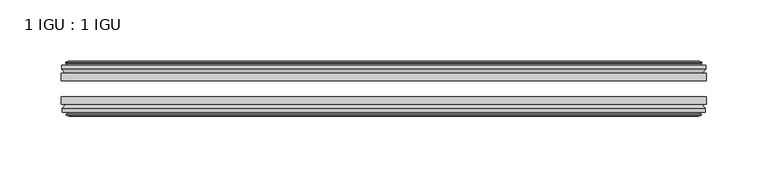
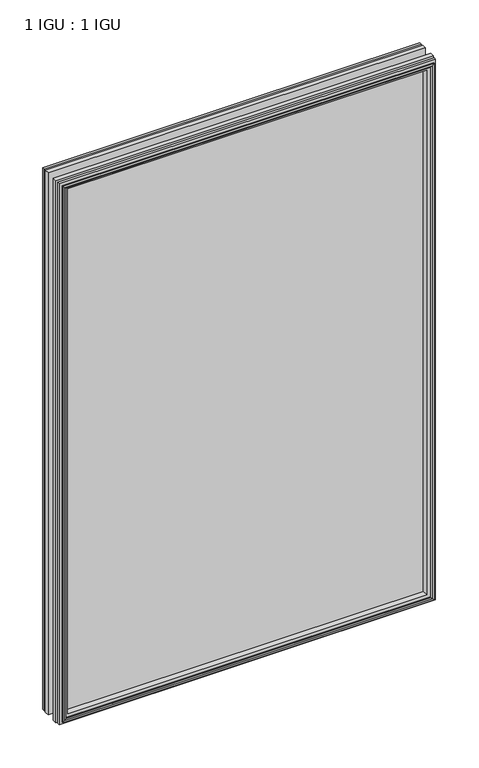
"""IFC4 building model written with IfcOpenShell, lengths in millimetres: plate geometry, 1 IGU : 1 IGU."""

import ifcopenshell
import ifcopenshell.guid

model = None  # the IFC model being written
_history = None  # IfcOwnerHistory: only IFC2X3 demands one
_inside = {}  # id of a spatial element -> (the spatial element, [elements in it])
_under = {}  # id of a project, library or spatial element -> (it, [spatial elements below it])
_declared = {}  # id of a project -> (the project, [libraries it declares])
_typed = {}  # id of a type object -> (the type object, [elements of that type])
_made_of = {}  # id of a material, layer set ... -> (it, [elements and type objects made of it])


def new_model(schema):
    """Start an empty IFC model of exactly this schema.

    Asked for "IFC4X3", IfcOpenShell would pick the latest addendum, in which some entities
    have other attributes; the version numbers below select the first issue.
    IFC2X3 requires an IfcOwnerHistory on every rooted entity: one is made here for all.
    """
    global model, _history
    if schema == "IFC4X3":
        model = ifcopenshell.file(schema_version=(4, 3, 0, 0))
    else:
        model = ifcopenshell.file(schema=schema)
    _inside.clear()
    _under.clear()
    _declared.clear()
    _typed.clear()
    _made_of.clear()
    _history = None
    if model.schema == "IFC2X3":
        org = make("IfcOrganization", Name="unknown")
        user = make(
            "IfcPersonAndOrganization",
            ThePerson=make("IfcPerson", FamilyName="unknown"),
            TheOrganization=org,
        )
        app = make(
            "IfcApplication",
            ApplicationDeveloper=org,
            Version="unknown",
            ApplicationFullName="unknown",
            ApplicationIdentifier="unknown",
        )
        _history = make(
            "IfcOwnerHistory",
            OwningUser=user,
            OwningApplication=app,
            ChangeAction="ADDED",
            CreationDate=0,
        )
    return model


def make(cls, **values):
    """One entity of the class cls with the attributes given. An attribute that is None is left unset."""
    return model.create_entity(
        cls, **{name: value for name, value in values.items() if value is not None}
    )


def rooted(cls, **values):
    """An entity with a GlobalId (a new one), such as an element, a storey or a relation."""
    return make(cls, GlobalId=ifcopenshell.guid.new(), OwnerHistory=_history, **values)


def si_unit(unit_type, name, prefix=None):
    """IfcSIUnit, for example si_unit("LENGTHUNIT", "METRE", prefix="MILLI")."""
    return make("IfcSIUnit", UnitType=unit_type, Prefix=prefix, Name=name)


def assignment(units):
    """IfcUnitAssignment: the units of a project."""
    return None if units is None else make("IfcUnitAssignment", Units=units)


def point(xyz):
    """IfcCartesianPoint."""
    return None if xyz is None else make("IfcCartesianPoint", Coordinates=xyz)


def direction(xyz):
    """IfcDirection."""
    return None if xyz is None else make("IfcDirection", DirectionRatios=xyz)


def frame(location, z_axis=None, x_axis=None):
    """IfcAxis2Placement3D, a coordinate frame: its origin and axes. An axis left out is left unset."""
    return make(
        "IfcAxis2Placement3D",
        Location=point(location),
        Axis=direction(z_axis),
        RefDirection=direction(x_axis),
    )


def origin():
    """The frame at (0, 0, 0) with its axes left unset."""
    return frame((0.0, 0.0, 0.0))


def place(relative_to, where):
    """IfcLocalPlacement: puts the frame where relative to a parent placement (None: the world)."""
    return make(
        "IfcLocalPlacement", PlacementRelTo=relative_to, RelativePlacement=where
    )


def context(
    kind, dimensions, precision=None, world=None, true_north=None, identifier=None
):
    """IfcGeometricRepresentationContext, for example the 3D "Model" context."""
    return make(
        "IfcGeometricRepresentationContext",
        ContextIdentifier=identifier,
        ContextType=kind,
        CoordinateSpaceDimension=dimensions,
        Precision=precision,
        WorldCoordinateSystem=world,
        TrueNorth=true_north,
    )


def project(units=None, contexts=None):
    """IfcProject with its units and contexts."""
    return rooted(
        "IfcProject",
        Name="project",
        RepresentationContexts=contexts,
        UnitsInContext=assignment(units),
    )


def spatial(cls, under=None, at=None, **own):
    """A site, building, storey or space (cls), placed at a placement, below another one or the project."""
    s = rooted(cls, ObjectPlacement=at, **own)
    if under is not None:
        _under.setdefault(under.id(), (under, []))[1].append(s)
    return s


def polyline(points):
    """IfcPolyline through the points."""
    return make("IfcPolyline", Points=[point(p) for p in points])


def outline(outer, holes=None, kind="AREA"):
    """IfcArbitraryClosedProfileDef: a profile drawn as a closed curve; with holes, ...WithVoids."""
    if holes is None:
        return make("IfcArbitraryClosedProfileDef", ProfileType=kind, OuterCurve=outer)
    return make(
        "IfcArbitraryProfileDefWithVoids",
        ProfileType=kind,
        OuterCurve=outer,
        InnerCurves=holes,
    )


def extrude(swept, where, along, depth):
    """IfcExtrudedAreaSolid: the profile swept, set in the frame where, extruded along a direction by depth."""
    return make(
        "IfcExtrudedAreaSolid",
        SweptArea=swept,
        Position=where,
        ExtrudedDirection=direction(along),
        Depth=depth,
    )


def faces_of(points, faces, orient=None, outer=None):
    """IfcFace entities. A face is a list of loops; a loop is a list of indices into points, from 0.

    orient and outer hold one flag for each loop. By default every Orientation is true, the
    first loop of a face is its IfcFaceOuterBound and the others are IfcFaceBound.
    """
    made = []
    for i, loops in enumerate(faces):
        bounds = []
        for j, loop in enumerate(loops):
            is_outer = j == 0 if outer is None else outer[i][j]
            bounds.append(
                make(
                    "IfcFaceOuterBound" if is_outer else "IfcFaceBound",
                    Bound=make("IfcPolyLoop", Polygon=[points[k] for k in loop]),
                    Orientation=True if orient is None else orient[i][j],
                )
            )
        made.append(make("IfcFace", Bounds=bounds))
    return made


def faceted_brep(points, faces, orient=None, outer=None, voids=None):
    """IfcFacetedBrep: a solid bounded by flat faces; with voids (closed shells), ...WithVoids."""
    shared = [point(p) for p in points]
    hull = make("IfcClosedShell", CfsFaces=faces_of(shared, faces, orient, outer))
    if voids is None:
        return make("IfcFacetedBrep", Outer=hull)
    return make(
        "IfcFacetedBrepWithVoids",
        Outer=hull,
        Voids=[
            make(cls, CfsFaces=faces_of(shared, fs, o, b)) for cls, fs, o, b in voids
        ],
    )


def shape(context_of_items, identifier, shape_type, items):
    """IfcShapeRepresentation: the items that make up one representation, for example the "Body"."""
    return make(
        "IfcShapeRepresentation",
        ContextOfItems=context_of_items,
        RepresentationIdentifier=identifier,
        RepresentationType=shape_type,
        Items=items,
    )


def source(mapping_origin, context_of_items, identifier, shape_type, items):
    """IfcRepresentationMap: a shape defined once, which mapped items show again and again."""
    return make(
        "IfcRepresentationMap",
        MappingOrigin=mapping_origin,
        MappedRepresentation=shape(context_of_items, identifier, shape_type, items),
    )


def transform(
    local_origin,
    x_axis=None,
    y_axis=None,
    z_axis=None,
    scale=None,
    scale2=None,
    scale3=None,
    uniform=True,
):
    """IfcCartesianTransformationOperator3D, or its non-uniform kind. x_axis, y_axis, z_axis: its Axis1, 2, 3."""
    if uniform:
        return make(
            "IfcCartesianTransformationOperator3D",
            Axis1=direction(x_axis),
            Axis2=direction(y_axis),
            LocalOrigin=point(local_origin),
            Scale=scale,
            Axis3=direction(z_axis),
        )
    return make(
        "IfcCartesianTransformationOperator3DnonUniform",
        Axis1=direction(x_axis),
        Axis2=direction(y_axis),
        LocalOrigin=point(local_origin),
        Scale=scale,
        Axis3=direction(z_axis),
        Scale2=scale2,
        Scale3=scale3,
    )


def mapped(mapping_source, mapping_target):
    """IfcMappedItem: shows the shape of a source again, moved by a transform."""
    return make(
        "IfcMappedItem", MappingSource=mapping_source, MappingTarget=mapping_target
    )


def made_of(thing, what):
    """Note that an element or type object is made of a material, layer set ...; save() writes the relation."""
    if what is not None:
        _made_of.setdefault(what.id(), (what, []))[1].append(thing)
    return thing


def element(
    cls,
    number,
    at=None,
    inside=None,
    cuts=None,
    type_object=None,
    material=None,
    context=None,
    identifier="Body",
    shape_type=None,
    held_by="IfcProductDefinitionShape",
    body=None,
    shapes=None,
    **own,
):
    """One element of the class cls, such as IfcWall. Its Tag is "e" and its number.

    at: its placement. inside: the storey or other place that contains it. cuts: it is an
    opening in that element (IfcRelVoidsElement). A single representation is given by context,
    identifier, shape_type and body (its items); several are given by shapes. held_by: the class
    of the entity that holds the representations. save() writes the other relations.
    """
    e = rooted(cls, Tag="e%d" % number, ObjectPlacement=at, **own)
    if body is not None:
        shapes = [shape(context, identifier, shape_type, body)]
    if shapes is not None:
        e.Representation = make(held_by, Representations=shapes)
    if inside is not None:
        _inside.setdefault(inside.id(), (inside, []))[1].append(e)
    if cuts is not None:
        rooted(
            "IfcRelVoidsElement", RelatingBuildingElement=cuts, RelatedOpeningElement=e
        )
    if type_object is not None:
        _typed.setdefault(type_object.id(), (type_object, []))[1].append(e)
    return made_of(e, material)


def aggregate(whole, parts):
    """IfcRelAggregates: a whole, such as a stair, and the parts it consists of."""
    return rooted("IfcRelAggregates", RelatingObject=whole, RelatedObjects=parts)


def save(model, path):
    """Write the relations noted so far, then the file.

    IfcRelAggregates (storeys below a building ...), IfcRelContainedInSpatialStructure (elements
    in a storey), IfcRelDefinesByType, IfcRelAssociatesMaterial and IfcRelDeclares: one each for
    every whole, place, type object, material and project.
    """
    for whole, parts in _under.values():
        aggregate(whole, parts)
    for where, things in _inside.values():
        rooted(
            "IfcRelContainedInSpatialStructure",
            RelatedElements=things,
            RelatingStructure=where,
        )
    for kind, things in _typed.values():
        rooted("IfcRelDefinesByType", RelatedObjects=things, RelatingType=kind)
    for what, things in _made_of.values():
        rooted("IfcRelAssociatesMaterial", RelatedObjects=things, RelatingMaterial=what)
    for by, libraries in _declared.values():
        rooted("IfcRelDeclares", RelatingContext=by, RelatedDefinitions=libraries)
    model.write(path)


def plate_1_igu_1_igu_78de0a60(model_context):
    return source(origin(), model_context, "Body", "SolidModel", [
        extrude(outline(polyline([(263.525, -19.5460937), (263.525, -25.8960938), (-263.525, -25.8960938), (-263.525, -19.5460937), (263.525, -19.5460937)])), frame((0.0, 0.0, -12.7), z_axis=(0.0, 0.0, 1.0), x_axis=(1.0, 0.0, 0.0)), (0.0, 0.0, 1.0), 800.1),
        extrude(outline(polyline([(-263.525, -44.9460938), (-263.525, -38.9186737), (263.525, -38.9186737), (263.525, -44.9460938), (-263.525, -44.9460938)])), frame((0.0, 0.0, -12.7), z_axis=(0.0, 0.0, 1.0), x_axis=(1.0, 0.0, 0.0)), (0.0, 0.0, 1.0), 800.1),
        faceted_brep([(-257.937, -53.6762907, 781.812), (-258.318, -51.2960937, 782.193), (-258.318, -51.2960937, -7.493), (-257.937, -53.6762907, -7.112), (-259.3525291, -53.2163575, 783.2275291), (-259.3525291, -53.2163575, -8.5275291), (-259.3525291, -54.0175717, 783.2275291), (-259.3525291, -54.0175717, -8.5275291), (-257.175, -54.7250937, 781.05), (-257.175, -54.7250937, -6.35), (-254.9974709, -54.0175717, 778.8724709), (-254.9974709, -54.0175717, -4.1724709), (-254.9974709, -53.2163575, 778.8724709), (-254.9974709, -53.2163575, -4.1724709), (-256.413, -53.6762907, 780.288), (-256.413, -53.6762907, -5.588), (-256.032, -51.2960937, 779.907), (-256.032, -51.2960937, -5.207), (-249.1072819, -44.9460937, 772.9822819), (-250.825, -51.2960937, 774.7), (-250.825, -51.2960937, 0.0), (-249.1072819, -44.9460937, 1.7177181), (-262.763, -48.3496937, 786.638), (-259.9286578, -44.9460937, 783.8036578), (-259.9286578, -44.9460937, -9.1036578), (-262.763, -48.3496937, -11.938), (-262.763, -51.2960937, 786.638), (-262.763, -51.2960937, -11.938), (258.318, -51.2960938, -7.493), (257.937, -53.6762907, -7.112), (259.3525291, -53.2163575, -8.5275291), (259.3525291, -54.0175717, -8.5275291), (257.175, -54.7250937, -6.35), (254.9974709, -54.0175717, -4.1724709), (254.9974709, -53.2163575, -4.1724709), (256.413, -53.6762907, -5.588), (256.032, -51.2960937, -5.207), (250.825, -51.2960937, 0.0), (249.1072819, -44.9460937, 1.7177181), (259.9286578, -44.9460937, -9.1036578), (262.763, -48.3496937, -11.938), (262.763, -51.2960938, -11.938), (258.318, -51.2960938, 782.193), (257.937, -53.6762907, 781.812), (259.3525291, -53.2163575, 783.2275291), (259.3525291, -54.0175717, 783.2275291), (257.175, -54.7250937, 781.05), (254.9974709, -54.0175717, 778.8724709), (254.9974709, -53.2163575, 778.8724709), (256.413, -53.6762907, 780.288), (256.032, -51.2960937, 779.907), (250.825, -51.2960937, 774.7), (249.1072819, -44.9460937, 772.9822819), (259.9286578, -44.9460937, 783.8036578), (262.763, -48.3496937, 786.638), (262.763, -51.2960938, 786.638)], [[[0, 1, 2, 3]], [[4, 0, 3, 5]], [[6, 4, 5, 7]], [[8, 6, 7, 9]], [[10, 8, 9, 11]], [[12, 10, 11, 13]], [[14, 12, 13, 15]], [[16, 14, 15, 17]], [[18, 19, 20, 21]], [[22, 23, 24, 25]], [[26, 22, 25, 27]], [[3, 2, 28, 29]], [[5, 3, 29, 30]], [[7, 5, 30, 31]], [[9, 7, 31, 32]], [[11, 9, 32, 33]], [[13, 11, 33, 34]], [[15, 13, 34, 35]], [[17, 15, 35, 36]], [[21, 20, 37, 38]], [[25, 24, 39, 40]], [[27, 25, 40, 41]], [[29, 28, 42, 43]], [[30, 29, 43, 44]], [[31, 30, 44, 45]], [[32, 31, 45, 46]], [[33, 32, 46, 47]], [[34, 33, 47, 48]], [[35, 34, 48, 49]], [[36, 35, 49, 50]], [[38, 37, 51, 52]], [[40, 39, 53, 54]], [[41, 40, 54, 55]], [[27, 41, 55, 26], [1, 42, 28, 2]], [[43, 42, 1, 0]], [[44, 43, 0, 4]], [[45, 44, 4, 6]], [[46, 45, 6, 8]], [[47, 46, 8, 10]], [[48, 47, 10, 12]], [[49, 48, 12, 14]], [[50, 49, 14, 16]], [[17, 36, 50, 16], [19, 51, 37, 20]], [[52, 51, 19, 18]], [[23, 53, 39, 24], [21, 38, 52, 18]], [[54, 53, 23, 22]], [[55, 54, 22, 26]]]),
        faceted_brep([(-260.4493578, -19.5460937, 784.3243578), (-263.2837, -16.1424937, 787.1587), (-263.2837, -16.1424937, -12.4587), (-260.4493578, -19.5460937, -9.6243578), (-251.3457, -13.1960937, 775.2207), (-249.6279819, -19.5460937, 773.5029819), (-249.6279819, -19.5460937, 1.1970181), (-251.3457, -13.1960937, -0.5207), (-256.9337, -10.8158968, 780.8087), (-256.5527, -13.1960937, 780.4277), (-256.5527, -13.1960937, -5.7277), (-256.9337, -10.8158968, -6.1087), (-255.5181709, -11.27583, 779.3931709), (-255.5181709, -11.27583, -4.6931709), (-255.5181709, -10.4746158, 779.3931709), (-255.5181709, -10.4746158, -4.6931709), (-257.6957, -9.7670937, 781.5707), (-257.6957, -9.7670937, -6.8707), (-259.8732291, -10.4746158, 783.7482291), (-259.8732291, -10.4746158, -9.0482291), (-259.8732291, -11.27583, 783.7482291), (-259.8732291, -11.27583, -9.0482291), (-258.4577, -10.8158968, 782.3327), (-258.4577, -10.8158968, -7.6327), (-258.8387, -13.1960937, 782.7137), (-258.8387, -13.1960937, -8.0137), (-263.2837, -13.1960937, 787.1587), (-263.2837, -13.1960937, -12.4587), (263.2837, -16.1424937, -12.4587), (260.4493578, -19.5460937, -9.6243578), (249.6279819, -19.5460937, 1.1970181), (251.3457, -13.1960937, -0.5207), (256.5527, -13.1960937, -5.7277), (256.9337, -10.8158968, -6.1087), (255.5181709, -11.27583, -4.6931709), (255.5181709, -10.4746158, -4.6931709), (257.6957, -9.7670937, -6.8707), (259.8732291, -10.4746158, -9.0482291), (259.8732291, -11.27583, -9.0482291), (258.4577, -10.8158968, -7.6327), (258.8387, -13.1960937, -8.0137), (263.2837, -13.1960937, -12.4587), (263.2837, -16.1424937, 787.1587), (260.4493578, -19.5460937, 784.3243578), (249.6279819, -19.5460937, 773.5029819), (251.3457, -13.1960937, 775.2207), (256.5527, -13.1960937, 780.4277), (256.9337, -10.8158968, 780.8087), (255.5181709, -11.27583, 779.3931709), (255.5181709, -10.4746158, 779.3931709), (257.6957, -9.7670937, 781.5707), (259.8732291, -10.4746158, 783.7482291), (259.8732291, -11.27583, 783.7482291), (258.4577, -10.8158968, 782.3327), (258.8387, -13.1960937, 782.7137), (263.2837, -13.1960937, 787.1587)], [[[0, 1, 2, 3]], [[4, 5, 6, 7]], [[8, 9, 10, 11]], [[12, 8, 11, 13]], [[14, 12, 13, 15]], [[16, 14, 15, 17]], [[18, 16, 17, 19]], [[20, 18, 19, 21]], [[22, 20, 21, 23]], [[24, 22, 23, 25]], [[1, 26, 27, 2]], [[3, 2, 28, 29]], [[7, 6, 30, 31]], [[11, 10, 32, 33]], [[13, 11, 33, 34]], [[15, 13, 34, 35]], [[17, 15, 35, 36]], [[19, 17, 36, 37]], [[21, 19, 37, 38]], [[23, 21, 38, 39]], [[25, 23, 39, 40]], [[2, 27, 41, 28]], [[29, 28, 42, 43]], [[31, 30, 44, 45]], [[33, 32, 46, 47]], [[34, 33, 47, 48]], [[35, 34, 48, 49]], [[36, 35, 49, 50]], [[37, 36, 50, 51]], [[38, 37, 51, 52]], [[39, 38, 52, 53]], [[40, 39, 53, 54]], [[28, 41, 55, 42]], [[43, 42, 1, 0]], [[3, 29, 43, 0], [5, 44, 30, 6]], [[45, 44, 5, 4]], [[9, 46, 32, 10], [7, 31, 45, 4]], [[47, 46, 9, 8]], [[48, 47, 8, 12]], [[49, 48, 12, 14]], [[50, 49, 14, 16]], [[51, 50, 16, 18]], [[52, 51, 18, 20]], [[53, 52, 20, 22]], [[54, 53, 22, 24]], [[26, 55, 41, 27], [25, 40, 54, 24]], [[42, 55, 26, 1]]]),
    ])


if __name__ == "__main__":
    model = new_model("IFC4")
    model_context = context("Model", 3, world=origin())
    ifc_project = project(units=[si_unit("LENGTHUNIT", "METRE", prefix="MILLI")], contexts=[model_context])
    site = spatial("IfcSite", under=ifc_project)
    building = spatial("IfcBuilding", under=site)
    placement = place(None, origin())
    plate_1_igu_1_igu_shape = plate_1_igu_1_igu_78de0a60(model_context)
    element("IfcPlate", 1, ObjectType="1 IGU : 1 IGU", at=placement, inside=building, context=model_context, shape_type="MappedRepresentation", body=[
        mapped(plate_1_igu_1_igu_shape, transform((0.0, 0.0, 0.0), x_axis=(1.0, 0.0, 0.0), y_axis=(0.0, 1.0, 0.0), z_axis=(0.0, 0.0, 1.0))),
    ])
    save(model, "model.ifc")
